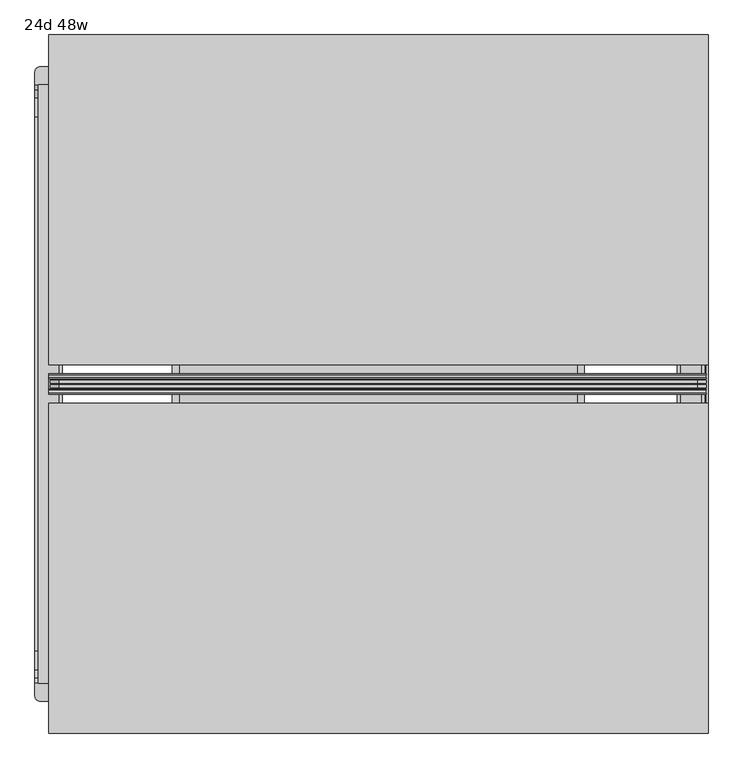
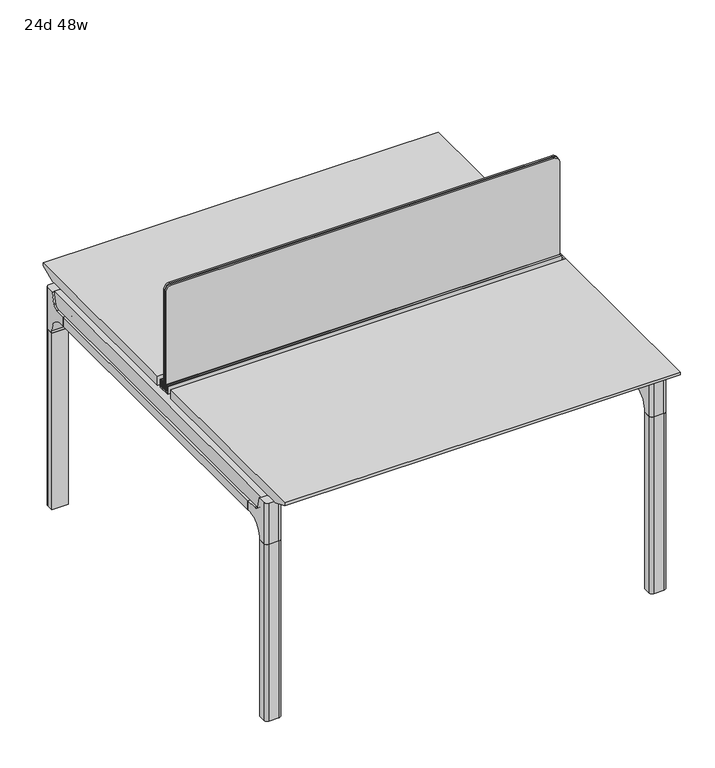
"""IFC4 building model written with IfcOpenShell, lengths in millimetres: furniture geometry, 24d 48w."""

from ifc_helpers import new_model, si_unit, point, frame, frame_2d, origin, place, context, project, spatial, polyline, circle_curve, trimmed, segment, composite_curve, outline, extrude, source, transform, mapped, element, save
from ifc_brep_helpers import plane_surface, cylinder_surface, revolved_surface, advanced_brep


def furniture_24d_48w_7001c38d(model_context):
    return source(origin(), model_context, "Body", "SolidModel", [
        extrude(outline(composite_curve([segment(polyline([(1054.89375, 803.275), (1054.89375, -371.475)]), True, "CONTINUOUS"), segment(trimmed(circle_curve(frame_2d((1039.01875, -371.475)), 15.875), [point((1054.89375, -371.475))], [point((1039.01875, -387.35))], False, "CARTESIAN"), True, "CONTINUOUS"), segment(polyline([(1039.01875, -387.35), (720.725, -387.35), (720.725, 819.15), (1039.01875, 819.15)]), True, "CONTINUOUS"), segment(trimmed(circle_curve(frame_2d((1039.01875, 803.275)), 15.875), [point((1039.01875, 819.15))], [point((1054.89375, 803.275))], False, "CARTESIAN"), True, "CONTINUOUS")], self_intersect=False)), frame((0.0, -201.3409766, 0.0), z_axis=(0.0, 1.0, 0.0), x_axis=(0.0, 0.0, 1.0)), (0.0, 0.0, 1.0), 3.175),
        extrude(outline(composite_curve([segment(polyline([(1058.06875, 806.45), (1058.06875, -374.65)]), True, "CONTINUOUS"), segment(trimmed(circle_curve(frame_2d((1042.19375, -374.65)), 15.875), [point((1058.06875, -374.65))], [point((1042.19375, -390.525))], False, "CARTESIAN"), True, "CONTINUOUS"), segment(polyline([(1042.19375, -390.525), (717.55, -390.525), (717.55, 822.325), (1042.19375, 822.325)]), True, "CONTINUOUS"), segment(trimmed(circle_curve(frame_2d((1042.19375, 806.45)), 15.875), [point((1042.19375, 822.325))], [point((1058.06875, 806.45))], False, "CARTESIAN"), True, "CONTINUOUS")], self_intersect=False)), frame((0.0, -198.1659766, 0.0), z_axis=(0.0, 1.0, 0.0), x_axis=(0.0, 0.0, 1.0)), (0.0, 0.0, 1.0), 5.55625),
        extrude(outline(composite_curve([segment(polyline([(1058.06875, 806.45), (1058.06875, -374.65)]), True, "CONTINUOUS"), segment(trimmed(circle_curve(frame_2d((1042.19375, -374.65)), 15.875), [point((1058.06875, -374.65))], [point((1042.19375, -390.525))], False, "CARTESIAN"), True, "CONTINUOUS"), segment(polyline([(1042.19375, -390.525), (717.55, -390.525), (717.55, 822.325), (1042.19375, 822.325)]), True, "CONTINUOUS"), segment(trimmed(circle_curve(frame_2d((1042.19375, 806.45)), 15.875), [point((1042.19375, 822.325))], [point((1058.06875, 806.45))], False, "CARTESIAN"), True, "CONTINUOUS")], self_intersect=False)), frame((0.0, -206.8972266, 0.0), z_axis=(0.0, 1.0, 0.0), x_axis=(0.0, 0.0, 1.0)), (0.0, 0.0, 1.0), 5.55625),
        extrude(outline(polyline([(-348.9784469, 559.4636683), (-364.040663, 627.7843353), (-35.4662901, 627.7843353), (-50.5285062, 559.4636683), (-46.7502281, 557.2647146), (-46.7502281, 549.3667827), (-62.6252238, 521.8704736), (-336.8817293, 521.8704736), (-352.756725, 549.3667827), (-352.756725, 557.2647146), (-348.9784469, 559.4636683)])), frame((584.2, 0.0, 0.0), z_axis=(1.0, 0.0, 0.0), x_axis=(0.0, 1.0, 0.0)), (0.0, 0.0, 1.0), 12.7),
        extrude(outline(polyline([(-348.9784469, 559.4636683), (-364.040663, 627.7843353), (-35.4662901, 627.7843353), (-50.5285062, 559.4636683), (-46.7502281, 557.2647146), (-46.7502281, 549.3667827), (-62.6252238, 521.8704736), (-336.8817293, 521.8704736), (-352.756725, 549.3667827), (-352.756725, 557.2647146), (-348.9784469, 559.4636683)])), frame((-165.1, 0.0, 0.0), z_axis=(1.0, 0.0, 0.0), x_axis=(0.0, 1.0, 0.0)), (0.0, 0.0, 1.0), 12.7),
        extrude(outline(polyline([(-18.0090763, 698.5), (3.7767266, 698.5), (3.7767266, 697.2935087), (-17.4495292, 697.2935087), (-19.0070753, 695.7359626), (-49.1186716, 559.1528512), (-50.5285062, 559.4636683), (-20.404074, 696.1050023), (-18.0090763, 698.5)])), frame((-165.1, 0.0, 0.0), z_axis=(1.0, 0.0, 0.0), x_axis=(0.0, 1.0, 0.0)), (0.0, 0.0, 1.0), 31.8008024),
        extrude(outline(polyline([(-381.4978768, 698.5), (-379.1028791, 696.1050023), (-348.9784469, 559.4636683), (-350.3882815, 559.1528512), (-380.4998778, 695.7359626), (-382.0574239, 697.2935087), (-403.2836797, 697.2935087), (-403.2836797, 698.5), (-381.4978768, 698.5)])), frame((-165.1, 0.0, 0.0), z_axis=(1.0, 0.0, 0.0), x_axis=(0.0, 1.0, 0.0)), (0.0, 0.0, 1.0), 31.8008024),
        extrude(outline(polyline([(-18.0090763, 698.5), (3.7767266, 698.5), (3.7767266, 697.2935087), (-17.4495292, 697.2935087), (-19.0070753, 695.7359626), (-49.1186716, 559.1528512), (-50.5285062, 559.4636683), (-20.404074, 696.1050023), (-18.0090763, 698.5)])), frame((565.0991976, 0.0, 0.0), z_axis=(1.0, 0.0, 0.0), x_axis=(0.0, 1.0, 0.0)), (0.0, 0.0, 1.0), 31.8008024),
        extrude(outline(polyline([(-381.4978768, 698.5), (-379.1028791, 696.1050023), (-348.9784469, 559.4636683), (-350.3882815, 559.1528512), (-380.4998778, 695.7359626), (-382.0574239, 697.2935087), (-403.2836797, 697.2935087), (-403.2836797, 698.5), (-381.4978768, 698.5)])), frame((565.0991976, 0.0, 0.0), z_axis=(1.0, 0.0, 0.0), x_axis=(0.0, 1.0, 0.0)), (0.0, 0.0, 1.0), 31.8008024),
        extrude(outline(polyline([(-353.550475, 557.5934966), (-351.518477, 559.6254947), (-350.957211, 559.0642287), (-352.756725, 557.2647146), (-352.756725, 549.3667827), (-352.5317745, 548.5272622), (-337.4390802, 522.3859395), (-336.0037101, 521.5572272), (-63.503243, 521.5572272), (-62.0678729, 522.3859395), (-46.9751786, 548.5272622), (-46.7502281, 549.3667827), (-46.7502281, 557.2647146), (-48.5497421, 559.0642287), (-47.9884761, 559.6254947), (-45.9564781, 557.5934966), (-45.9564781, 549.2622828), (-46.2355217, 548.2208856), (-61.4868074, 521.8048744), (-63.2905581, 520.7634772), (-336.216395, 520.7634772), (-338.0201457, 521.8048744), (-353.2714314, 548.2208856), (-353.550475, 549.2622828), (-353.550475, 557.5934966)])), frame((-165.0492037, 0.0, 0.0), z_axis=(1.0, 0.0, 0.0), x_axis=(0.0, 1.0, 0.0)), (0.0, 0.0, 1.0), 761.9492037),
        extrude(outline(polyline([(-218.8034766, 715.9625), (-218.8034766, 741.3625), (-217.2159766, 741.3625), (-217.2159766, 720.725), (-210.8659766, 720.725), (-210.8659766, 741.3625), (-209.2784766, 741.3625), (-209.2784766, 717.55), (-190.2284766, 717.55), (-190.2284766, 741.3625), (-188.6409766, 741.3625), (-188.6409766, 720.725), (-182.2909766, 720.725), (-182.2909766, 741.3625), (-180.7034766, 741.3625), (-180.7034766, 715.9625), (-218.8034766, 715.9625)])), frame((-393.7, 0.0, 0.0), z_axis=(1.0, 0.0, 0.0), x_axis=(0.0, 1.0, 0.0)), (0.0, 0.0, 1.0), 1216.025),
        extrude(outline(composite_curve([segment(polyline([(353.4902734, 711.2), (344.4321726, 677.3947076)]), True, "CONTINUOUS"), segment(trimmed(circle_curve(frame_2d((329.0981001, 681.5034599)), 15.875), [point((344.4321726, 677.3947076))], [point((329.0981001, 665.6284599))], False, "CARTESIAN"), True, "CONTINUOUS"), segment(polyline([(329.0981001, 665.6284599), (-728.6050533, 665.6284599)]), True, "CONTINUOUS"), segment(trimmed(circle_curve(frame_2d((-728.6050533, 681.5034599)), 15.875), [point((-728.6050533, 665.6284599))], [point((-743.9391258, 677.3947076))], False, "CARTESIAN"), True, "CONTINUOUS"), segment(polyline([(-743.9391258, 677.3947076), (-752.9972266, 711.2), (353.4902734, 711.2)]), True, "CONTINUOUS")], self_intersect=False)), frame((774.7, 0.0, 0.0), z_axis=(1.0, 0.0, 0.0), x_axis=(0.0, 1.0, 0.0)), (0.0, 0.0, 1.0), 38.1),
        extrude(outline(polyline([(819.15, 293.1652734), (819.15, -692.6722266), (768.35, -692.6722266), (768.35, 293.1652734), (819.15, 293.1652734)])), frame((0.0, 0.0, 635.6476591), z_axis=(0.0, 0.0, 1.0), x_axis=(1.0, 0.0, 0.0)), (0.0, 0.0, 1.0), 29.9808008),
        extrude(outline(composite_curve([segment(polyline([(353.4902734, 711.2), (344.4321726, 677.3947076)]), True, "CONTINUOUS"), segment(trimmed(circle_curve(frame_2d((329.0981001, 681.5034599)), 15.875), [point((344.4321726, 677.3947076))], [point((329.0981001, 665.6284599))], False, "CARTESIAN"), True, "CONTINUOUS"), segment(polyline([(329.0981001, 665.6284599), (-728.6050533, 665.6284599)]), True, "CONTINUOUS"), segment(trimmed(circle_curve(frame_2d((-728.6050533, 681.5034599)), 15.875), [point((-728.6050533, 665.6284599))], [point((-743.9391258, 677.3947076))], False, "CARTESIAN"), True, "CONTINUOUS"), segment(polyline([(-743.9391258, 677.3947076), (-752.9972266, 711.2), (353.4902734, 711.2)]), True, "CONTINUOUS")], self_intersect=False)), frame((-412.75, 0.0, 0.0), z_axis=(1.0, 0.0, 0.0), x_axis=(0.0, 1.0, 0.0)), (0.0, 0.0, 1.0), 38.1),
        extrude(outline(polyline([(-368.3, 293.1652734), (-368.3, -692.6722266), (-419.1, -692.6722266), (-419.1, 293.1652734), (-368.3, 293.1652734)])), frame((0.0, 0.0, 635.6476591), z_axis=(0.0, 0.0, 1.0), x_axis=(1.0, 0.0, 0.0)), (0.0, 0.0, 1.0), 29.9808008),
        advanced_brep(
        [(819.15, 353.5366022, 711.2), (819.15, 344.4785014, 677.3947076), (819.15, 329.1444289, 665.6284599), (819.15, 293.1652734, 665.6284599), (819.15, 293.1652734, 635.6476591), (819.15, 304.2777734, 635.6476591), (819.15, 355.0777734, 584.8476591), (819.15, 355.0777734, 576.659375), (819.15, 377.3027734, 576.659375), (819.15, 377.3027734, 711.2), (768.35, 355.0777734, 576.659375), (768.35, 355.0777734, 584.8476591), (768.35, 304.2777734, 635.6476591), (768.35, 293.1652734, 635.6476591), (768.35, 293.1652734, 665.6284599), (768.35, 329.1444289, 665.6284599), (768.35, 344.4785014, 677.3947076), (768.35, 353.5366022, 711.2), (768.35, 377.3027734, 711.2), (768.35, 377.3027734, 576.659375), (809.625, 386.8277734, 711.2), (777.875, 386.8277734, 711.2), (777.875, 386.8277734, 576.659375), (809.625, 386.8277734, 576.659375)],
        [
            (0, 1),
            (1, 2, circle_curve(frame((819.15, 329.1444289, 681.5034599), z_axis=(-1.0, 0.0, 0.0), x_axis=(0.0, 1.0, 0.0)), 15.875)),
            (2, 3),
            (3, 4),
            (4, 5),
            (5, 6, circle_curve(frame((819.15, 304.2777734, 584.8476591), z_axis=(-1.0, 0.0, 0.0), x_axis=(0.0, 1.0, 0.0)), 50.8)),
            (6, 7),
            (7, 8),
            (8, 9),
            (9, 0),
            (10, 11),
            (11, 12, circle_curve(frame((768.35, 304.2777734, 584.8476591), z_axis=(1.0, 0.0, 0.0), x_axis=(0.0, 1.0, 0.0)), 50.8)),
            (12, 13),
            (13, 14),
            (14, 15),
            (15, 16, circle_curve(frame((768.35, 329.1444289, 681.5034599), z_axis=(1.0, 0.0, 0.0), x_axis=(0.0, 1.0, 0.0)), 15.875)),
            (16, 17),
            (17, 18),
            (18, 19),
            (19, 10),
            (17, 0),
            (9, 20, circle_curve(frame((809.625, 377.3027734, 711.2), z_axis=(0.0, 0.0, 1.0), x_axis=(-1.0, 0.0, 0.0)), 9.525)),
            (20, 21),
            (21, 18, circle_curve(frame((777.875, 377.3027734, 711.2), z_axis=(0.0, 0.0, 1.0), x_axis=(-1.0, 0.0, 0.0)), 9.525)),
            (16, 1),
            (15, 2),
            (14, 3),
            (13, 4),
            (12, 5),
            (7, 10),
            (19, 22, circle_curve(frame((777.875, 377.3027734, 576.659375), z_axis=(0.0, 0.0, -1.0), x_axis=(-1.0, 0.0, 0.0)), 9.525)),
            (22, 23),
            (23, 8, circle_curve(frame((809.625, 377.3027734, 576.659375), z_axis=(0.0, 0.0, -1.0), x_axis=(-1.0, 0.0, 0.0)), 9.525)),
            (11, 6),
            (23, 20),
            (21, 22),
        ],
        [
            plane_surface(frame((819.15, 393.754303, 711.2), z_axis=(1.0, 0.0, 0.0), x_axis=(0.0, -1.0, 0.0))),
            plane_surface(frame((768.35, 393.754303, 711.2), z_axis=(-1.0, 0.0, 0.0), x_axis=(0.0, 1.0, 0.0))),
            plane_surface(frame((819.15, 393.754303, 711.2), z_axis=(0.0, 0.0, 1.0), x_axis=(-1.0, 0.0, 0.0))),
            plane_surface(frame((819.15, 353.5366022, 711.2), z_axis=(0.0, -0.9659258262890683, 0.2588190451025207), x_axis=(-1.0, 0.0, 0.0))),
            revolved_surface(polyline([(768.35, 345.0194289, 681.5034599), (819.15, 345.0194289, 681.5034599)]), (768.35, 329.1444289, 681.5034599), (-1.0, 0.0, 0.0)),
            plane_surface(frame((819.15, 329.1444289, 665.6284599), z_axis=(0.0, 0.0, 1.0), x_axis=(-1.0, 0.0, 0.0))),
            plane_surface(frame((819.15, 293.1652734, 665.6284599), z_axis=(0.0, -1.0, 0.0), x_axis=(-1.0, 0.0, 0.0))),
            plane_surface(frame((819.15, 293.1652734, 635.6476591), z_axis=(0.0, 0.0, -1.0), x_axis=(-1.0, 0.0, 0.0))),
            plane_surface(frame((819.15, 355.0777734, 576.659375), z_axis=(0.0, 0.0, -1.0), x_axis=(-1.0, 0.0, 0.0))),
            revolved_surface(polyline([(768.35, 355.0777734, 584.8476591), (819.15, 355.0777734, 584.8476591)]), (768.35, 304.2777734, 584.8476591), (-1.0, 0.0, 0.0)),
            plane_surface(frame((819.15, 355.0777734, 584.8476591), z_axis=(0.0, -1.0, 0.0), x_axis=(-1.0, 0.0, 0.0))),
            cylinder_surface(frame((809.625, 377.3027734, 524.9807374), z_axis=(0.0, 0.0, -1.0), x_axis=(-1.0, 0.0, 0.0)), 9.525),
            cylinder_surface(frame((777.875, 377.3027734, 524.9807374), z_axis=(0.0, 0.0, -1.0), x_axis=(-1.0, 0.0, 0.0)), 9.525),
            plane_surface(frame((777.875, 386.8277734, 711.2), z_axis=(0.0, 1.0, 0.0), x_axis=(0.0, 0.0, -1.0))),
        ],
        [
            (0, [[1, 2, 3, 4, 5, 6, 7, 8, 9, 10]]),
            (1, [[11, 12, 13, 14, 15, 16, 17, 18, 19, 20]]),
            (2, [[21, -10, 22, 23, 24, -18]]),
            (3, [[-1, -21, -17, 25]]),
            (4, [[-2, -25, -16, 26]]),
            (5, [[-3, -26, -15, 27]]),
            (6, [[-4, -27, -14, 28]]),
            (7, [[-5, -28, -13, 29]]),
            (8, [[30, -20, 31, 32, 33, -8]]),
            (9, [[-6, -29, -12, 34]]),
            (10, [[-7, -34, -11, -30]]),
            (11, [[35, -22, -9, -33]]),
            (12, [[36, -31, -19, -24]]),
            (13, [[-35, -32, -36, -23]]),
        ],
    ),
        advanced_brep(
        [(768.35, 355.0777734, 576.659375), (819.15, 355.0777734, 576.659375), (819.15, 377.3027734, 576.659375), (809.625, 386.8277734, 576.659375), (777.875, 386.8277734, 576.659375), (768.35, 377.3027734, 576.659375), (768.35, 355.0777734, 0.0), (768.35, 377.3027734, 0.0), (777.875, 386.8277734, 0.0), (809.625, 386.8277734, 0.0), (819.15, 377.3027734, 0.0), (819.15, 355.0777734, 0.0), (819.15, 377.3027734, 524.9807374), (809.625, 386.8277734, 524.9807374), (777.875, 386.8277734, 524.9807374), (768.35, 377.3027734, 524.9807374)],
        [
            (0, 1),
            (1, 2),
            (2, 3, circle_curve(frame((809.625, 377.3027734, 576.659375), z_axis=(0.0, 0.0, 1.0), x_axis=(-1.0, 0.0, 0.0)), 9.525)),
            (3, 4),
            (4, 5, circle_curve(frame((777.875, 377.3027734, 576.659375), z_axis=(0.0, 0.0, 1.0), x_axis=(-1.0, 0.0, 0.0)), 9.525)),
            (5, 0),
            (6, 7),
            (7, 8, circle_curve(frame((777.875, 377.3027734, 0.0), z_axis=(0.0, 0.0, -1.0), x_axis=(-1.0, 0.0, 0.0)), 9.525)),
            (8, 9),
            (9, 10, circle_curve(frame((809.625, 377.3027734, 0.0), z_axis=(0.0, 0.0, -1.0), x_axis=(-1.0, 0.0, 0.0)), 9.525)),
            (10, 11),
            (11, 6),
            (0, 6),
            (11, 1),
            (10, 12),
            (12, 2),
            (9, 13),
            (13, 3),
            (8, 14),
            (14, 4),
            (7, 15),
            (15, 5),
        ],
        [
            plane_surface(frame((826.3462903, 355.0777734, 576.659375), z_axis=(0.0, 0.0, 1.0), x_axis=(1.0, 0.0, 0.0))),
            plane_surface(frame((826.3462903, 355.0777734, 0.0), z_axis=(0.0, 0.0, -1.0), x_axis=(-1.0, 0.0, 0.0))),
            plane_surface(frame((768.35, 355.0777734, 576.659375), z_axis=(0.0, -1.0, 0.0), x_axis=(0.0, 0.0, -1.0))),
            plane_surface(frame((819.15, 355.0777734, 576.659375), z_axis=(1.0, 0.0, 0.0), x_axis=(0.0, 0.0, -1.0))),
            cylinder_surface(frame((809.625, 377.3027734, 0.0), z_axis=(0.0, 0.0, 1.0), x_axis=(-1.0, 0.0, 0.0)), 9.525),
            plane_surface(frame((809.625, 386.8277734, 576.659375), z_axis=(0.0, 1.0, 0.0), x_axis=(0.0, 0.0, -1.0))),
            cylinder_surface(frame((777.875, 377.3027734, 0.0), z_axis=(0.0, 0.0, 1.0), x_axis=(-1.0, 0.0, 0.0)), 9.525),
            plane_surface(frame((768.35, 377.3027734, 576.659375), z_axis=(-1.0, 0.0, 0.0), x_axis=(0.0, 0.0, -1.0))),
        ],
        [
            (0, [[1, 2, 3, 4, 5, 6]]),
            (1, [[7, 8, 9, 10, 11, 12]]),
            (2, [[-1, 13, -12, 14]]),
            (3, [[-2, -14, -11, 15, 16]]),
            (4, [[-3, -16, -15, -10, 17, 18]]),
            (5, [[-4, -18, -17, -9, 19, 20]]),
            (6, [[-5, -20, -19, -8, 21, 22]]),
            (7, [[-6, -22, -21, -7, -13]]),
        ],
    ),
        advanced_brep(
        [(768.35, -753.0435553, 711.2), (768.35, -743.9854545, 677.3947076), (768.35, -728.651382, 665.6284599), (768.35, -692.6722266, 665.6284599), (768.35, -692.6722266, 635.6476591), (768.35, -703.7847266, 635.6476591), (768.35, -754.5847266, 584.8476591), (768.35, -754.5847266, 576.659375), (768.35, -776.8097266, 576.659375), (768.35, -776.8097266, 711.2), (819.15, -754.5847266, 576.659375), (819.15, -754.5847266, 584.8476591), (819.15, -703.7847266, 635.6476591), (819.15, -692.6722266, 635.6476591), (819.15, -692.6722266, 665.6284599), (819.15, -728.651382, 665.6284599), (819.15, -743.9854545, 677.3947076), (819.15, -753.0435553, 711.2), (819.15, -776.8097266, 711.2), (819.15, -776.8097266, 576.659375), (777.875, -786.3347266, 711.2), (809.625, -786.3347266, 711.2), (809.625, -786.3347266, 576.659375), (777.875, -786.3347266, 576.659375)],
        [
            (0, 1),
            (1, 2, circle_curve(frame((768.35, -728.651382, 681.5034599), z_axis=(1.0, 0.0, 0.0), x_axis=(0.0, -1.0, 0.0)), 15.875)),
            (2, 3),
            (3, 4),
            (4, 5),
            (5, 6, circle_curve(frame((768.35, -703.7847266, 584.8476591), z_axis=(1.0, 0.0, 0.0), x_axis=(0.0, -1.0, 0.0)), 50.8)),
            (6, 7),
            (7, 8),
            (8, 9),
            (9, 0),
            (10, 11),
            (11, 12, circle_curve(frame((819.15, -703.7847266, 584.8476591), z_axis=(-1.0, 0.0, 0.0), x_axis=(0.0, -1.0, 0.0)), 50.8)),
            (12, 13),
            (13, 14),
            (14, 15),
            (15, 16, circle_curve(frame((819.15, -728.651382, 681.5034599), z_axis=(-1.0, 0.0, 0.0), x_axis=(0.0, -1.0, 0.0)), 15.875)),
            (16, 17),
            (17, 18),
            (18, 19),
            (19, 10),
            (17, 0),
            (9, 20, circle_curve(frame((777.875, -776.8097266, 711.2), z_axis=(0.0, 0.0, 1.0), x_axis=(1.0, 0.0, 0.0)), 9.525)),
            (20, 21),
            (21, 18, circle_curve(frame((809.625, -776.8097266, 711.2), z_axis=(0.0, 0.0, 1.0), x_axis=(1.0, 0.0, 0.0)), 9.525)),
            (16, 1),
            (15, 2),
            (14, 3),
            (13, 4),
            (12, 5),
            (7, 10),
            (19, 22, circle_curve(frame((809.625, -776.8097266, 576.659375), z_axis=(0.0, 0.0, -1.0), x_axis=(1.0, 0.0, 0.0)), 9.525)),
            (22, 23),
            (23, 8, circle_curve(frame((777.875, -776.8097266, 576.659375), z_axis=(0.0, 0.0, -1.0), x_axis=(1.0, 0.0, 0.0)), 9.525)),
            (11, 6),
            (23, 20),
            (21, 22),
        ],
        [
            plane_surface(frame((768.35, -793.2612561, 711.2), z_axis=(-1.0, 0.0, 0.0), x_axis=(0.0, 1.0, 0.0))),
            plane_surface(frame((819.15, -793.2612561, 711.2), z_axis=(1.0, 0.0, 0.0), x_axis=(0.0, -1.0, 0.0))),
            plane_surface(frame((768.35, -793.2612561, 711.2), z_axis=(0.0, 0.0, 1.0), x_axis=(1.0, 0.0, 0.0))),
            plane_surface(frame((768.35, -753.0435553, 711.2), z_axis=(0.0, 0.9659258262890683, 0.2588190451025207), x_axis=(1.0, 0.0, 0.0))),
            revolved_surface(polyline([(819.15, -744.526382, 681.5034599), (768.35, -744.526382, 681.5034599)]), (819.15, -728.651382, 681.5034599), (1.0, 0.0, 0.0)),
            plane_surface(frame((768.35, -728.651382, 665.6284599), z_axis=(0.0, 0.0, 1.0), x_axis=(1.0, 0.0, 0.0))),
            plane_surface(frame((768.35, -692.6722266, 665.6284599), z_axis=(0.0, 1.0, 0.0), x_axis=(1.0, 0.0, 0.0))),
            plane_surface(frame((768.35, -692.6722266, 635.6476591), z_axis=(0.0, 0.0, -1.0), x_axis=(1.0, 0.0, 0.0))),
            plane_surface(frame((768.35, -754.5847266, 576.659375), z_axis=(0.0, 0.0, -1.0), x_axis=(1.0, 0.0, 0.0))),
            revolved_surface(polyline([(819.15, -754.5847266, 584.8476591), (768.35, -754.5847266, 584.8476591)]), (819.15, -703.7847266, 584.8476591), (1.0, 0.0, 0.0)),
            plane_surface(frame((768.35, -754.5847266, 584.8476591), z_axis=(0.0, 1.0, 0.0), x_axis=(1.0, 0.0, 0.0))),
            cylinder_surface(frame((777.875, -776.8097266, 524.9807374), z_axis=(0.0, 0.0, -1.0), x_axis=(1.0, 0.0, 0.0)), 9.525),
            cylinder_surface(frame((809.625, -776.8097266, 524.9807374), z_axis=(0.0, 0.0, -1.0), x_axis=(1.0, 0.0, 0.0)), 9.525),
            plane_surface(frame((809.625, -786.3347266, 711.2), z_axis=(0.0, -1.0, 0.0), x_axis=(0.0, 0.0, -1.0))),
        ],
        [
            (0, [[1, 2, 3, 4, 5, 6, 7, 8, 9, 10]]),
            (1, [[11, 12, 13, 14, 15, 16, 17, 18, 19, 20]]),
            (2, [[21, -10, 22, 23, 24, -18]]),
            (3, [[-1, -21, -17, 25]]),
            (4, [[-2, -25, -16, 26]]),
            (5, [[-3, -26, -15, 27]]),
            (6, [[-4, -27, -14, 28]]),
            (7, [[-5, -28, -13, 29]]),
            (8, [[30, -20, 31, 32, 33, -8]]),
            (9, [[-6, -29, -12, 34]]),
            (10, [[-7, -34, -11, -30]]),
            (11, [[35, -22, -9, -33]]),
            (12, [[36, -31, -19, -24]]),
            (13, [[-35, -32, -36, -23]]),
        ],
    ),
        advanced_brep(
        [(819.15, -754.5847266, 576.659375), (768.35, -754.5847266, 576.659375), (768.35, -776.8097266, 576.659375), (777.875, -786.3347266, 576.659375), (809.625, -786.3347266, 576.659375), (819.15, -776.8097266, 576.659375), (819.15, -754.5847266, 0.0), (819.15, -776.8097266, 0.0), (809.625, -786.3347266, 0.0), (777.875, -786.3347266, 0.0), (768.35, -776.8097266, 0.0), (768.35, -754.5847266, 0.0), (768.35, -776.8097266, 524.9807374), (777.875, -786.3347266, 524.9807374), (809.625, -786.3347266, 524.9807374), (819.15, -776.8097266, 524.9807374)],
        [
            (0, 1),
            (1, 2),
            (2, 3, circle_curve(frame((777.875, -776.8097266, 576.659375), z_axis=(0.0, 0.0, 1.0), x_axis=(1.0, 0.0, 0.0)), 9.525)),
            (3, 4),
            (4, 5, circle_curve(frame((809.625, -776.8097266, 576.659375), z_axis=(0.0, 0.0, 1.0), x_axis=(1.0, 0.0, 0.0)), 9.525)),
            (5, 0),
            (6, 7),
            (7, 8, circle_curve(frame((809.625, -776.8097266, 0.0), z_axis=(0.0, 0.0, -1.0), x_axis=(1.0, 0.0, 0.0)), 9.525)),
            (8, 9),
            (9, 10, circle_curve(frame((777.875, -776.8097266, 0.0), z_axis=(0.0, 0.0, -1.0), x_axis=(1.0, 0.0, 0.0)), 9.525)),
            (10, 11),
            (11, 6),
            (0, 6),
            (11, 1),
            (10, 12),
            (12, 2),
            (9, 13),
            (13, 3),
            (8, 14),
            (14, 4),
            (7, 15),
            (15, 5),
        ],
        [
            plane_surface(frame((761.1537097, -754.5847266, 576.659375), z_axis=(0.0, 0.0, 1.0), x_axis=(-1.0, 0.0, 0.0))),
            plane_surface(frame((761.1537097, -754.5847266, 0.0), z_axis=(0.0, 0.0, -1.0), x_axis=(1.0, 0.0, 0.0))),
            plane_surface(frame((819.15, -754.5847266, 576.659375), z_axis=(0.0, 1.0, 0.0), x_axis=(0.0, 0.0, -1.0))),
            plane_surface(frame((768.35, -754.5847266, 576.659375), z_axis=(-1.0, 0.0, 0.0), x_axis=(0.0, 0.0, -1.0))),
            cylinder_surface(frame((777.875, -776.8097266, 0.0), z_axis=(0.0, 0.0, 1.0), x_axis=(1.0, 0.0, 0.0)), 9.525),
            plane_surface(frame((777.875, -786.3347266, 576.659375), z_axis=(0.0, -1.0, 0.0), x_axis=(0.0, 0.0, -1.0))),
            cylinder_surface(frame((809.625, -776.8097266, 0.0), z_axis=(0.0, 0.0, 1.0), x_axis=(1.0, 0.0, 0.0)), 9.525),
            plane_surface(frame((819.15, -776.8097266, 576.659375), z_axis=(1.0, 0.0, 0.0), x_axis=(0.0, 0.0, -1.0))),
        ],
        [
            (0, [[1, 2, 3, 4, 5, 6]]),
            (1, [[7, 8, 9, 10, 11, 12]]),
            (2, [[-1, 13, -12, 14]]),
            (3, [[-2, -14, -11, 15, 16]]),
            (4, [[-3, -16, -15, -10, 17, 18]]),
            (5, [[-4, -18, -17, -9, 19, 20]]),
            (6, [[-5, -20, -19, -8, 21, 22]]),
            (7, [[-6, -22, -21, -7, -13]]),
        ],
    ),
        advanced_brep(
        [(-368.3, 353.5366022, 711.2), (-368.3, 344.4785014, 677.3947076), (-368.3, 329.1444289, 665.6284599), (-368.3, 293.1652734, 665.6284599), (-368.3, 293.1652734, 635.6476591), (-368.3, 304.2777734, 635.6476591), (-368.3, 355.0777734, 584.8476591), (-368.3, 355.0777734, 576.659375), (-368.3, 377.3027734, 576.659375), (-368.3, 377.3027734, 711.2), (-419.1, 355.0777734, 576.659375), (-419.1, 355.0777734, 584.8476591), (-419.1, 304.2777734, 635.6476591), (-419.1, 293.1652734, 635.6476591), (-419.1, 293.1652734, 665.6284599), (-419.1, 329.1444289, 665.6284599), (-419.1, 344.4785014, 677.3947076), (-419.1, 353.5366022, 711.2), (-419.1, 377.3027734, 711.2), (-419.1, 377.3027734, 576.659375), (-377.825, 386.8277734, 711.2), (-409.575, 386.8277734, 711.2), (-409.575, 386.8277734, 576.659375), (-377.825, 386.8277734, 576.659375)],
        [
            (0, 1),
            (1, 2, circle_curve(frame((-368.3, 329.1444289, 681.5034599), z_axis=(-1.0, 0.0, 0.0), x_axis=(0.0, 1.0, 0.0)), 15.875)),
            (2, 3),
            (3, 4),
            (4, 5),
            (5, 6, circle_curve(frame((-368.3, 304.2777734, 584.8476591), z_axis=(-1.0, 0.0, 0.0), x_axis=(0.0, 1.0, 0.0)), 50.8)),
            (6, 7),
            (7, 8),
            (8, 9),
            (9, 0),
            (10, 11),
            (11, 12, circle_curve(frame((-419.1, 304.2777734, 584.8476591), z_axis=(1.0, 0.0, 0.0), x_axis=(0.0, 1.0, 0.0)), 50.8)),
            (12, 13),
            (13, 14),
            (14, 15),
            (15, 16, circle_curve(frame((-419.1, 329.1444289, 681.5034599), z_axis=(1.0, 0.0, 0.0), x_axis=(0.0, 1.0, 0.0)), 15.875)),
            (16, 17),
            (17, 18),
            (18, 19),
            (19, 10),
            (17, 0),
            (9, 20, circle_curve(frame((-377.825, 377.3027734, 711.2), z_axis=(0.0, 0.0, 1.0), x_axis=(-1.0, 0.0, 0.0)), 9.525)),
            (20, 21),
            (21, 18, circle_curve(frame((-409.575, 377.3027734, 711.2), z_axis=(0.0, 0.0, 1.0), x_axis=(-1.0, 0.0, 0.0)), 9.525)),
            (16, 1),
            (15, 2),
            (14, 3),
            (13, 4),
            (12, 5),
            (7, 10),
            (19, 22, circle_curve(frame((-409.575, 377.3027734, 576.659375), z_axis=(0.0, 0.0, -1.0), x_axis=(-1.0, 0.0, 0.0)), 9.525)),
            (22, 23),
            (23, 8, circle_curve(frame((-377.825, 377.3027734, 576.659375), z_axis=(0.0, 0.0, -1.0), x_axis=(-1.0, 0.0, 0.0)), 9.525)),
            (11, 6),
            (23, 20),
            (21, 22),
        ],
        [
            plane_surface(frame((-368.3, 393.754303, 711.2), z_axis=(1.0, 0.0, 0.0), x_axis=(0.0, -1.0, 0.0))),
            plane_surface(frame((-419.1, 393.754303, 711.2), z_axis=(-1.0, 0.0, 0.0), x_axis=(0.0, 1.0, 0.0))),
            plane_surface(frame((-368.3, 393.754303, 711.2), z_axis=(0.0, 0.0, 1.0), x_axis=(-1.0, 0.0, 0.0))),
            plane_surface(frame((-368.3, 353.5366022, 711.2), z_axis=(0.0, -0.9659258262890683, 0.2588190451025207), x_axis=(-1.0, 0.0, 0.0))),
            revolved_surface(polyline([(-419.1, 345.0194289, 681.5034599), (-368.3, 345.0194289, 681.5034599)]), (-419.1, 329.1444289, 681.5034599), (-1.0, 0.0, 0.0)),
            plane_surface(frame((-368.3, 329.1444289, 665.6284599), z_axis=(0.0, 0.0, 1.0), x_axis=(-1.0, 0.0, 0.0))),
            plane_surface(frame((-368.3, 293.1652734, 665.6284599), z_axis=(0.0, -1.0, 0.0), x_axis=(-1.0, 0.0, 0.0))),
            plane_surface(frame((-368.3, 293.1652734, 635.6476591), z_axis=(0.0, 0.0, -1.0), x_axis=(-1.0, 0.0, 0.0))),
            plane_surface(frame((-368.3, 355.0777734, 576.659375), z_axis=(0.0, 0.0, -1.0), x_axis=(-1.0, 0.0, 0.0))),
            revolved_surface(polyline([(-419.1, 355.0777734, 584.8476591), (-368.3, 355.0777734, 584.8476591)]), (-419.1, 304.2777734, 584.8476591), (-1.0, 0.0, 0.0)),
            plane_surface(frame((-368.3, 355.0777734, 584.8476591), z_axis=(0.0, -1.0, 0.0), x_axis=(-1.0, 0.0, 0.0))),
            cylinder_surface(frame((-377.825, 377.3027734, 524.9807374), z_axis=(0.0, 0.0, -1.0), x_axis=(-1.0, 0.0, 0.0)), 9.525),
            cylinder_surface(frame((-409.575, 377.3027734, 524.9807374), z_axis=(0.0, 0.0, -1.0), x_axis=(-1.0, 0.0, 0.0)), 9.525),
            plane_surface(frame((-409.575, 386.8277734, 711.2), z_axis=(0.0, 1.0, 0.0), x_axis=(0.0, 0.0, -1.0))),
        ],
        [
            (0, [[1, 2, 3, 4, 5, 6, 7, 8, 9, 10]]),
            (1, [[11, 12, 13, 14, 15, 16, 17, 18, 19, 20]]),
            (2, [[21, -10, 22, 23, 24, -18]]),
            (3, [[-1, -21, -17, 25]]),
            (4, [[-2, -25, -16, 26]]),
            (5, [[-3, -26, -15, 27]]),
            (6, [[-4, -27, -14, 28]]),
            (7, [[-5, -28, -13, 29]]),
            (8, [[30, -20, 31, 32, 33, -8]]),
            (9, [[-6, -29, -12, 34]]),
            (10, [[-7, -34, -11, -30]]),
            (11, [[35, -22, -9, -33]]),
            (12, [[36, -31, -19, -24]]),
            (13, [[-35, -32, -36, -23]]),
        ],
    ),
        advanced_brep(
        [(-419.1, 355.0777734, 576.659375), (-368.3, 355.0777734, 576.659375), (-368.3, 377.3027734, 576.659375), (-377.825, 386.8277734, 576.659375), (-409.575, 386.8277734, 576.659375), (-419.1, 377.3027734, 576.659375), (-419.1, 355.0777734, 0.0), (-419.1, 377.3027734, 0.0), (-409.575, 386.8277734, 0.0), (-377.825, 386.8277734, 0.0), (-368.3, 377.3027734, 0.0), (-368.3, 355.0777734, 0.0), (-368.3, 377.3027734, 524.9807374), (-377.825, 386.8277734, 524.9807374), (-409.575, 386.8277734, 524.9807374), (-419.1, 377.3027734, 524.9807374)],
        [
            (0, 1),
            (1, 2),
            (2, 3, circle_curve(frame((-377.825, 377.3027734, 576.659375), z_axis=(0.0, 0.0, 1.0), x_axis=(-1.0, 0.0, 0.0)), 9.525)),
            (3, 4),
            (4, 5, circle_curve(frame((-409.575, 377.3027734, 576.659375), z_axis=(0.0, 0.0, 1.0), x_axis=(-1.0, 0.0, 0.0)), 9.525)),
            (5, 0),
            (6, 7),
            (7, 8, circle_curve(frame((-409.575, 377.3027734, 0.0), z_axis=(0.0, 0.0, -1.0), x_axis=(-1.0, 0.0, 0.0)), 9.525)),
            (8, 9),
            (9, 10, circle_curve(frame((-377.825, 377.3027734, 0.0), z_axis=(0.0, 0.0, -1.0), x_axis=(-1.0, 0.0, 0.0)), 9.525)),
            (10, 11),
            (11, 6),
            (0, 6),
            (11, 1),
            (10, 12),
            (12, 2),
            (9, 13),
            (13, 3),
            (8, 14),
            (14, 4),
            (7, 15),
            (15, 5),
        ],
        [
            plane_surface(frame((-361.1037097, 355.0777734, 576.659375), z_axis=(0.0, 0.0, 1.0), x_axis=(1.0, 0.0, 0.0))),
            plane_surface(frame((-361.1037097, 355.0777734, 0.0), z_axis=(0.0, 0.0, -1.0), x_axis=(-1.0, 0.0, 0.0))),
            plane_surface(frame((-419.1, 355.0777734, 576.659375), z_axis=(0.0, -1.0, 0.0), x_axis=(0.0, 0.0, -1.0))),
            plane_surface(frame((-368.3, 355.0777734, 576.659375), z_axis=(1.0, 0.0, 0.0), x_axis=(0.0, 0.0, -1.0))),
            cylinder_surface(frame((-377.825, 377.3027734, 0.0), z_axis=(0.0, 0.0, 1.0), x_axis=(-1.0, 0.0, 0.0)), 9.525),
            plane_surface(frame((-377.825, 386.8277734, 576.659375), z_axis=(0.0, 1.0, 0.0), x_axis=(0.0, 0.0, -1.0))),
            cylinder_surface(frame((-409.575, 377.3027734, 0.0), z_axis=(0.0, 0.0, 1.0), x_axis=(-1.0, 0.0, 0.0)), 9.525),
            plane_surface(frame((-419.1, 377.3027734, 576.659375), z_axis=(-1.0, 0.0, 0.0), x_axis=(0.0, 0.0, -1.0))),
        ],
        [
            (0, [[1, 2, 3, 4, 5, 6]]),
            (1, [[7, 8, 9, 10, 11, 12]]),
            (2, [[-1, 13, -12, 14]]),
            (3, [[-2, -14, -11, 15, 16]]),
            (4, [[-3, -16, -15, -10, 17, 18]]),
            (5, [[-4, -18, -17, -9, 19, 20]]),
            (6, [[-5, -20, -19, -8, 21, 22]]),
            (7, [[-6, -22, -21, -7, -13]]),
        ],
    ),
        advanced_brep(
        [(-419.1, -753.0435553, 711.2), (-419.1, -743.9854545, 677.3947076), (-419.1, -728.651382, 665.6284599), (-419.1, -692.6722266, 665.6284599), (-419.1, -692.6722266, 635.6476591), (-419.1, -703.7847266, 635.6476591), (-419.1, -754.5847266, 584.8476591), (-419.1, -754.5847266, 576.659375), (-419.1, -776.8097266, 576.659375), (-419.1, -776.8097266, 711.2), (-368.3, -754.5847266, 576.659375), (-368.3, -754.5847266, 584.8476591), (-368.3, -703.7847266, 635.6476591), (-368.3, -692.6722266, 635.6476591), (-368.3, -692.6722266, 665.6284599), (-368.3, -728.651382, 665.6284599), (-368.3, -743.9854545, 677.3947076), (-368.3, -753.0435553, 711.2), (-368.3, -776.8097266, 711.2), (-368.3, -776.8097266, 576.659375), (-409.575, -786.3347266, 711.2), (-377.825, -786.3347266, 711.2), (-377.825, -786.3347266, 576.659375), (-409.575, -786.3347266, 576.659375)],
        [
            (0, 1),
            (1, 2, circle_curve(frame((-419.1, -728.651382, 681.5034599), z_axis=(1.0, 0.0, 0.0), x_axis=(0.0, -1.0, 0.0)), 15.875)),
            (2, 3),
            (3, 4),
            (4, 5),
            (5, 6, circle_curve(frame((-419.1, -703.7847266, 584.8476591), z_axis=(1.0, 0.0, 0.0), x_axis=(0.0, -1.0, 0.0)), 50.8)),
            (6, 7),
            (7, 8),
            (8, 9),
            (9, 0),
            (10, 11),
            (11, 12, circle_curve(frame((-368.3, -703.7847266, 584.8476591), z_axis=(-1.0, 0.0, 0.0), x_axis=(0.0, -1.0, 0.0)), 50.8)),
            (12, 13),
            (13, 14),
            (14, 15),
            (15, 16, circle_curve(frame((-368.3, -728.651382, 681.5034599), z_axis=(-1.0, 0.0, 0.0), x_axis=(0.0, -1.0, 0.0)), 15.875)),
            (16, 17),
            (17, 18),
            (18, 19),
            (19, 10),
            (17, 0),
            (9, 20, circle_curve(frame((-409.575, -776.8097266, 711.2), z_axis=(0.0, 0.0, 1.0), x_axis=(1.0, 0.0, 0.0)), 9.525)),
            (20, 21),
            (21, 18, circle_curve(frame((-377.825, -776.8097266, 711.2), z_axis=(0.0, 0.0, 1.0), x_axis=(1.0, 0.0, 0.0)), 9.525)),
            (16, 1),
            (15, 2),
            (14, 3),
            (13, 4),
            (12, 5),
            (7, 10),
            (19, 22, circle_curve(frame((-377.825, -776.8097266, 576.659375), z_axis=(0.0, 0.0, -1.0), x_axis=(1.0, 0.0, 0.0)), 9.525)),
            (22, 23),
            (23, 8, circle_curve(frame((-409.575, -776.8097266, 576.659375), z_axis=(0.0, 0.0, -1.0), x_axis=(1.0, 0.0, 0.0)), 9.525)),
            (11, 6),
            (23, 20),
            (21, 22),
        ],
        [
            plane_surface(frame((-419.1, -793.2612561, 711.2), z_axis=(-1.0, 0.0, 0.0), x_axis=(0.0, 1.0, 0.0))),
            plane_surface(frame((-368.3, -793.2612561, 711.2), z_axis=(1.0, 0.0, 0.0), x_axis=(0.0, -1.0, 0.0))),
            plane_surface(frame((-419.1, -793.2612561, 711.2), z_axis=(0.0, 0.0, 1.0), x_axis=(1.0, 0.0, 0.0))),
            plane_surface(frame((-419.1, -753.0435553, 711.2), z_axis=(0.0, 0.9659258262890683, 0.2588190451025207), x_axis=(1.0, 0.0, 0.0))),
            revolved_surface(polyline([(-368.3, -744.526382, 681.5034599), (-419.1, -744.526382, 681.5034599)]), (-368.3, -728.651382, 681.5034599), (1.0, 0.0, 0.0)),
            plane_surface(frame((-419.1, -728.651382, 665.6284599), z_axis=(0.0, 0.0, 1.0), x_axis=(1.0, 0.0, 0.0))),
            plane_surface(frame((-419.1, -692.6722266, 665.6284599), z_axis=(0.0, 1.0, 0.0), x_axis=(1.0, 0.0, 0.0))),
            plane_surface(frame((-419.1, -692.6722266, 635.6476591), z_axis=(0.0, 0.0, -1.0), x_axis=(1.0, 0.0, 0.0))),
            plane_surface(frame((-419.1, -754.5847266, 576.659375), z_axis=(0.0, 0.0, -1.0), x_axis=(1.0, 0.0, 0.0))),
            revolved_surface(polyline([(-368.3, -754.5847266, 584.8476591), (-419.1, -754.5847266, 584.8476591)]), (-368.3, -703.7847266, 584.8476591), (1.0, 0.0, 0.0)),
            plane_surface(frame((-419.1, -754.5847266, 584.8476591), z_axis=(0.0, 1.0, 0.0), x_axis=(1.0, 0.0, 0.0))),
            cylinder_surface(frame((-409.575, -776.8097266, 524.9807374), z_axis=(0.0, 0.0, -1.0), x_axis=(1.0, 0.0, 0.0)), 9.525),
            cylinder_surface(frame((-377.825, -776.8097266, 524.9807374), z_axis=(0.0, 0.0, -1.0), x_axis=(1.0, 0.0, 0.0)), 9.525),
            plane_surface(frame((-377.825, -786.3347266, 711.2), z_axis=(0.0, -1.0, 0.0), x_axis=(0.0, 0.0, -1.0))),
        ],
        [
            (0, [[1, 2, 3, 4, 5, 6, 7, 8, 9, 10]]),
            (1, [[11, 12, 13, 14, 15, 16, 17, 18, 19, 20]]),
            (2, [[21, -10, 22, 23, 24, -18]]),
            (3, [[-1, -21, -17, 25]]),
            (4, [[-2, -25, -16, 26]]),
            (5, [[-3, -26, -15, 27]]),
            (6, [[-4, -27, -14, 28]]),
            (7, [[-5, -28, -13, 29]]),
            (8, [[30, -20, 31, 32, 33, -8]]),
            (9, [[-6, -29, -12, 34]]),
            (10, [[-7, -34, -11, -30]]),
            (11, [[35, -22, -9, -33]]),
            (12, [[36, -31, -19, -24]]),
            (13, [[-35, -32, -36, -23]]),
        ],
    ),
        advanced_brep(
        [(-368.3, -754.5847266, 576.659375), (-419.1, -754.5847266, 576.659375), (-419.1, -776.8097266, 576.659375), (-409.575, -786.3347266, 576.659375), (-377.825, -786.3347266, 576.659375), (-368.3, -776.8097266, 576.659375), (-368.3, -754.5847266, 0.0), (-368.3, -776.8097266, 0.0), (-377.825, -786.3347266, 0.0), (-409.575, -786.3347266, 0.0), (-419.1, -776.8097266, 0.0), (-419.1, -754.5847266, 0.0), (-419.1, -776.8097266, 524.9807374), (-409.575, -786.3347266, 524.9807374), (-377.825, -786.3347266, 524.9807374), (-368.3, -776.8097266, 524.9807374)],
        [
            (0, 1),
            (1, 2),
            (2, 3, circle_curve(frame((-409.575, -776.8097266, 576.659375), z_axis=(0.0, 0.0, 1.0), x_axis=(1.0, 0.0, 0.0)), 9.525)),
            (3, 4),
            (4, 5, circle_curve(frame((-377.825, -776.8097266, 576.659375), z_axis=(0.0, 0.0, 1.0), x_axis=(1.0, 0.0, 0.0)), 9.525)),
            (5, 0),
            (6, 7),
            (7, 8, circle_curve(frame((-377.825, -776.8097266, 0.0), z_axis=(0.0, 0.0, -1.0), x_axis=(1.0, 0.0, 0.0)), 9.525)),
            (8, 9),
            (9, 10, circle_curve(frame((-409.575, -776.8097266, 0.0), z_axis=(0.0, 0.0, -1.0), x_axis=(1.0, 0.0, 0.0)), 9.525)),
            (10, 11),
            (11, 6),
            (0, 6),
            (11, 1),
            (10, 12),
            (12, 2),
            (9, 13),
            (13, 3),
            (8, 14),
            (14, 4),
            (7, 15),
            (15, 5),
        ],
        [
            plane_surface(frame((-426.2962903, -754.5847266, 576.659375), z_axis=(0.0, 0.0, 1.0), x_axis=(-1.0, 0.0, 0.0))),
            plane_surface(frame((-426.2962903, -754.5847266, 0.0), z_axis=(0.0, 0.0, -1.0), x_axis=(1.0, 0.0, 0.0))),
            plane_surface(frame((-368.3, -754.5847266, 576.659375), z_axis=(0.0, 1.0, 0.0), x_axis=(0.0, 0.0, -1.0))),
            plane_surface(frame((-419.1, -754.5847266, 576.659375), z_axis=(-1.0, 0.0, 0.0), x_axis=(0.0, 0.0, -1.0))),
            cylinder_surface(frame((-409.575, -776.8097266, 0.0), z_axis=(0.0, 0.0, 1.0), x_axis=(1.0, 0.0, 0.0)), 9.525),
            plane_surface(frame((-409.575, -786.3347266, 576.659375), z_axis=(0.0, -1.0, 0.0), x_axis=(0.0, 0.0, -1.0))),
            cylinder_surface(frame((-377.825, -776.8097266, 0.0), z_axis=(0.0, 0.0, 1.0), x_axis=(1.0, 0.0, 0.0)), 9.525),
            plane_surface(frame((-368.3, -776.8097266, 576.659375), z_axis=(1.0, 0.0, 0.0), x_axis=(0.0, 0.0, -1.0))),
        ],
        [
            (0, [[1, 2, 3, 4, 5, 6]]),
            (1, [[7, 8, 9, 10, 11, 12]]),
            (2, [[-1, 13, -12, 14]]),
            (3, [[-2, -14, -11, 15, 16]]),
            (4, [[-3, -16, -15, -10, 17, 18]]),
            (5, [[-4, -18, -17, -9, 19, 20]]),
            (6, [[-5, -20, -19, -8, 21, 22]]),
            (7, [[-6, -22, -21, -7, -13]]),
        ],
    ),
        extrude(outline(polyline([(-164.0347266, 741.3625), (445.5652734, 741.3625), (445.5652734, 731.8375), (394.7652734, 711.2), (-164.0347266, 711.2), (-164.0347266, 741.3625)])), frame((-393.7, 0.0, 0.0), z_axis=(1.0, 0.0, 0.0), x_axis=(0.0, 1.0, 0.0)), (0.0, 0.0, 1.0), 1219.2),
        extrude(outline(polyline([(-845.0722266, 741.3625), (-235.4722266, 741.3625), (-235.4722266, 711.2), (-794.2722266, 711.2), (-845.0722266, 731.8375), (-845.0722266, 741.3625)])), frame((-393.7, 0.0, 0.0), z_axis=(1.0, 0.0, 0.0), x_axis=(0.0, 1.0, 0.0)), (0.0, 0.0, 1.0), 1219.2),
        extrude(outline(polyline([(768.35, 9.7965234), (768.35, -21.9534766), (-368.3, -21.9534766), (-368.3, 9.7965234), (768.35, 9.7965234)])), frame((0.0, 0.0, 646.1125), z_axis=(0.0, 0.0, 1.0), x_axis=(1.0, 0.0, 0.0)), (0.0, 0.0, 1.0), 50.8),
        extrude(outline(polyline([(768.35, -377.5534766), (768.35, -409.3034766), (-368.3, -409.3034766), (-368.3, -377.5534766), (768.35, -377.5534766)])), frame((0.0, 0.0, 646.1125), z_axis=(0.0, 0.0, 1.0), x_axis=(1.0, 0.0, 0.0)), (0.0, 0.0, 1.0), 50.8),
        extrude(outline(polyline([(825.5, -164.0347266), (825.5, -235.4722266), (822.325, -235.4722266), (822.325, -164.0347266), (825.5, -164.0347266)])), frame((0.0, 0.0, 711.2), z_axis=(0.0, 0.0, 1.0), x_axis=(1.0, 0.0, 0.0)), (0.0, 0.0, 1.0), 30.1625),
    ])


if __name__ == "__main__":
    model = new_model("IFC4")
    model_context = context("Model", 3, world=origin())
    ifc_project = project(units=[si_unit("LENGTHUNIT", "METRE", prefix="MILLI")], contexts=[model_context])
    site = spatial("IfcSite", under=ifc_project)
    building = spatial("IfcBuilding", under=site)
    placement = place(None, origin())
    furniture_24d_48w_shape = furniture_24d_48w_7001c38d(model_context)
    element("IfcFurniture", 1, ObjectType="24d 48w", at=placement, inside=building, context=model_context, shape_type="MappedRepresentation", body=[
        mapped(furniture_24d_48w_shape, transform((0.0, 0.0, 0.0), x_axis=(1.0, 0.0, 0.0), y_axis=(0.0, 1.0, 0.0), z_axis=(0.0, 0.0, 1.0))),
    ])
    save(model, "model.ifc")
